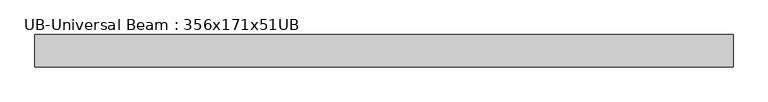
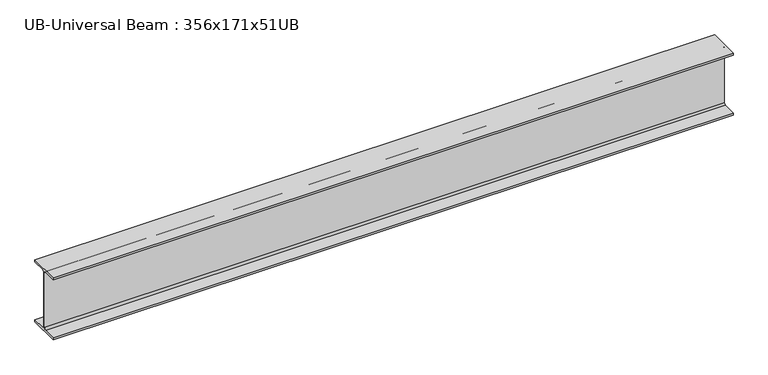
"""IFC4 building model written with IfcOpenShell, lengths in millimetres: beam geometry, UB-Universal Beam : 356x171x51UB."""

from ifc_helpers import new_model, si_unit, point, frame, frame_2d, origin, place, context, project, spatial, polyline, circle_curve, trimmed, segment, composite_curve, outline, extrude, source, transform, mapped, element, save


def ub_universal_beam_356x171x51ub_b23b1cb9(model_context):
    return source(origin(), model_context, "Body", "SweptSolid", [
        extrude(outline(composite_curve([segment(polyline([(85.75, -166.0), (85.75, -177.5), (-85.75, -177.5), (-85.75, -166.0), (-13.9, -166.0)]), True, "CONTINUOUS"), segment(trimmed(circle_curve(frame_2d((-13.9, -155.8)), 10.2), [point((-13.9, -166.0))], [point((-3.7, -155.8))], True, "CARTESIAN"), True, "CONTINUOUS"), segment(polyline([(-3.7, -155.8), (-3.7, 155.8)]), True, "CONTINUOUS"), segment(trimmed(circle_curve(frame_2d((-13.9, 155.8)), 10.2), [point((-3.7, 155.8))], [point((-13.9, 166.0))], True, "CARTESIAN"), True, "CONTINUOUS"), segment(polyline([(-13.9, 166.0), (-85.75, 166.0), (-85.75, 177.5), (85.75, 177.5), (85.75, 166.0), (13.9, 166.0)]), True, "CONTINUOUS"), segment(trimmed(circle_curve(frame_2d((13.9, 155.8)), 10.2), [point((13.9, 166.0))], [point((3.7, 155.8))], True, "CARTESIAN"), True, "CONTINUOUS"), segment(polyline([(3.7, 155.8), (3.7, -155.8)]), True, "CONTINUOUS"), segment(trimmed(circle_curve(frame_2d((13.9, -155.8)), 10.2), [point((3.7, -155.8))], [point((13.9, -166.0))], True, "CARTESIAN"), True, "CONTINUOUS"), segment(polyline([(13.9, -166.0), (85.75, -166.0)]), True, "CONTINUOUS")], self_intersect=False)), frame((-1842.3, 0.0, 0.0), z_axis=(1.0, 0.0, 0.0), x_axis=(0.0, 1.0, 0.0)), (0.0, 0.0, 1.0), 3684.6),
    ])


if __name__ == "__main__":
    model = new_model("IFC4")
    model_context = context("Model", 3, world=origin())
    ifc_project = project(units=[si_unit("LENGTHUNIT", "METRE", prefix="MILLI")], contexts=[model_context])
    site = spatial("IfcSite", under=ifc_project)
    building = spatial("IfcBuilding", under=site)
    placement = place(None, origin())
    ub_universal_beam_356x171x51ub_shape = ub_universal_beam_356x171x51ub_b23b1cb9(model_context)
    element("IfcBeam", 1, ObjectType="UB-Universal Beam : 356x171x51UB", at=placement, inside=building, context=model_context, shape_type="MappedRepresentation", body=[
        mapped(ub_universal_beam_356x171x51ub_shape, transform((0.0, 0.0, 0.0), x_axis=(1.0, 0.0, 0.0), y_axis=(0.0, 1.0, 0.0), z_axis=(0.0, 0.0, 1.0))),
    ])
    save(model, "model.ifc")
